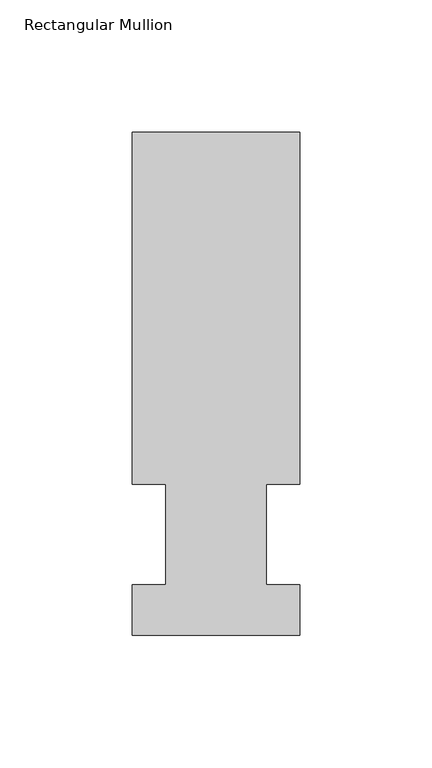
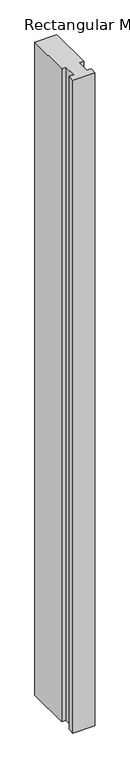
"""IFC4 building model written with IfcOpenShell, lengths in millimetres: member geometry, Rectangular Mullion."""

from ifc_helpers import new_model, si_unit, frame, origin, place, context, project, spatial, polyline, outline, extrude, source, transform, mapped, element, save


def rectangular_mullion_0ed4f766(model_context):
    return source(origin(), model_context, "Body", "SweptSolid", [
        extrude(outline(polyline([(31.75, 190.5), (31.75, 57.15), (19.0500001, 57.15), (19.0500001, 19.05), (31.7500005, 19.05), (31.7500005, -0.0137627), (-31.7499995, -0.0137627), (-31.7499995, 19.05), (-19.0500001, 19.05), (-19.0500001, 57.15), (-31.7500006, 57.15), (-31.7500006, 190.5), (31.75, 190.5)])), frame((0.0, 0.0, -1993.9), z_axis=(0.0, 0.0, 1.0), x_axis=(1.0, 0.0, 0.0)), (0.0, 0.0, 1.0), 1993.9),
    ])


if __name__ == "__main__":
    model = new_model("IFC4")
    model_context = context("Model", 3, world=origin())
    ifc_project = project(units=[si_unit("LENGTHUNIT", "METRE", prefix="MILLI")], contexts=[model_context])
    site = spatial("IfcSite", under=ifc_project)
    building = spatial("IfcBuilding", under=site)
    placement = place(None, origin())
    rectangular_mullion_shape = rectangular_mullion_0ed4f766(model_context)
    element("IfcMember", 1, ObjectType="Rectangular Mullion", at=placement, inside=building, context=model_context, shape_type="MappedRepresentation", body=[
        mapped(rectangular_mullion_shape, transform((0.0, 0.0, 0.0), x_axis=(1.0, 0.0, 0.0), y_axis=(0.0, 1.0, 0.0), z_axis=(0.0, 0.0, 1.0))),
    ])
    save(model, "model.ifc")
